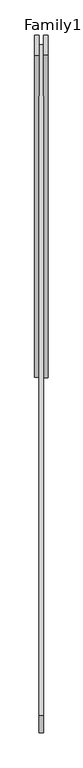
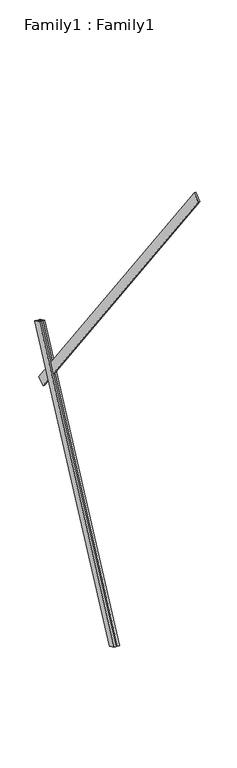
"""IFC4 building model written with IfcOpenShell, lengths in millimetres: proxy geometry, Family1 : Family1."""

from ifc_helpers import new_model, si_unit, frame, origin, place, context, project, spatial, polyline, outline, extrude, source, transform, mapped, element, save


def family1_family1_f3376847(model_context):
    return source(origin(), model_context, "Body", "SweptSolid", [
        extrude(outline(polyline([(0.0, 0.0), (0.0, -20.0), (-100.0000001, -20.0), (-100.0000001, 0.0), (0.0, 0.0)])), frame((-30.0, 46.3241747, -22.5938096), z_axis=(0.0, 0.4383711467890692, 0.8987940462991711), x_axis=(0.0, 0.8987940462991711, -0.4383711467890692)), (0.0, 0.0, 1.0), 3300.0),
        extrude(outline(polyline([(0.0, 0.0), (0.0, -20.0), (-99.9999999, -20.0), (-99.9999999, 0.0), (0.0, 0.0)])), frame((10.0, 45.270232, -22.0797674), z_axis=(0.0, 0.4383711467890692, 0.8987940462991711), x_axis=(0.0, 0.8987940462991711, -0.4383711467890692)), (0.0, 0.0, 1.0), 3300.0),
        extrude(outline(polyline([(0.0, 0.0), (0.0, -100.0), (-20.0, -100.0), (-20.0, 0.0), (0.0, 0.0)])), frame((10.0, 1448.9611746, 2305.7357621), z_axis=(0.0, -0.6018150231520467, 0.798635510047294), x_axis=(1.0, 0.0, 0.0)), (0.0, 0.0, 1.0), 5000.0),
    ])


if __name__ == "__main__":
    model = new_model("IFC4")
    model_context = context("Model", 3, world=origin())
    ifc_project = project(units=[si_unit("LENGTHUNIT", "METRE", prefix="MILLI")], contexts=[model_context])
    site = spatial("IfcSite", under=ifc_project)
    building = spatial("IfcBuilding", under=site)
    placement = place(None, origin())
    family1_family1_shape = family1_family1_f3376847(model_context)
    element("IfcBuildingElementProxy", 1, Name="Family1 : Family1", ObjectType="Family1 : Family1", at=placement, inside=building, context=model_context, shape_type="MappedRepresentation", body=[
        mapped(family1_family1_shape, transform((0.0, 0.0, 0.0), x_axis=(1.0, 0.0, 0.0), y_axis=(0.0, 1.0, 0.0), z_axis=(0.0, 0.0, 1.0))),
    ])
    save(model, "model.ifc")
